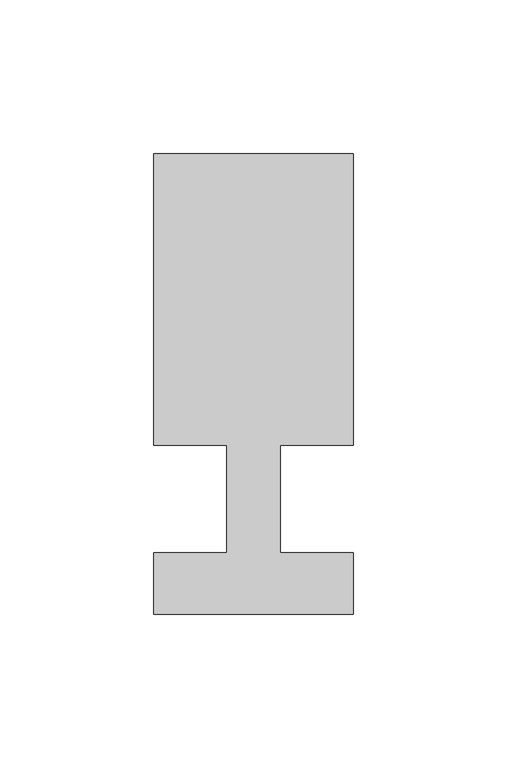
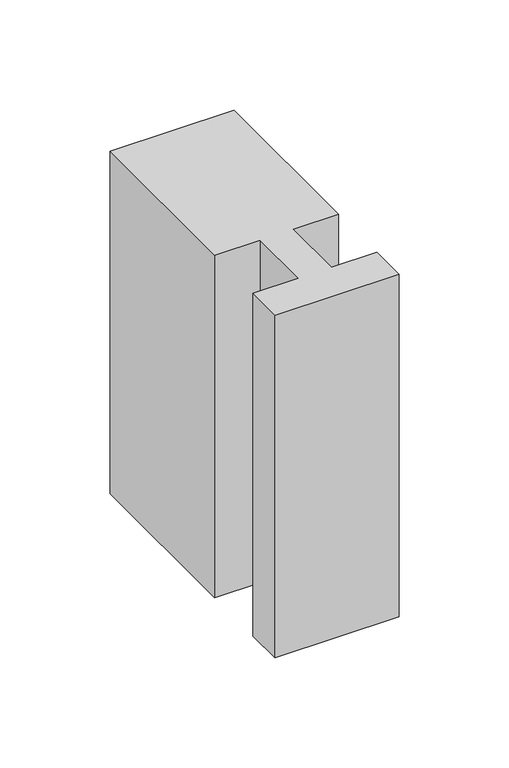
"""IFC4 building model written with IfcOpenShell, lengths in millimetres: member geometry."""

from ifc_helpers import new_model, si_unit, frame, origin, place, context, project, spatial, polyline, outline, extrude, source, transform, mapped, element, save


def member_d970f2e3(model_context):
    return source(origin(), model_context, "Body", "SweptSolid", [
        extrude(outline(polyline([(-32.5, -37.0), (-32.5, -17.0), (-8.6875, -17.0), (-8.6875, 18.0), (-32.5, 18.0), (-32.5, 113.0), (32.5, 113.0), (32.5, 18.0), (8.6875, 18.0), (8.6875, -17.0), (32.5, -17.0), (32.5, -37.0), (-32.5, -37.0)])), frame((0.0, 0.0, -190.0), z_axis=(0.0, 0.0, 1.0), x_axis=(1.0, 0.0, 0.0)), (0.0, 0.0, 1.0), 190.0),
    ])


if __name__ == "__main__":
    model = new_model("IFC4")
    model_context = context("Model", 3, world=origin())
    ifc_project = project(units=[si_unit("LENGTHUNIT", "METRE", prefix="MILLI")], contexts=[model_context])
    site = spatial("IfcSite", under=ifc_project)
    building = spatial("IfcBuilding", under=site)
    placement = place(None, origin())
    member_shape = member_d970f2e3(model_context)
    element("IfcMember", 1, at=placement, inside=building, context=model_context, shape_type="MappedRepresentation", body=[
        mapped(member_shape, transform((0.0, 0.0, 0.0), x_axis=(1.0, 0.0, 0.0), y_axis=(0.0, 1.0, 0.0), z_axis=(0.0, 0.0, 1.0))),
    ])
    save(model, "model.ifc")
